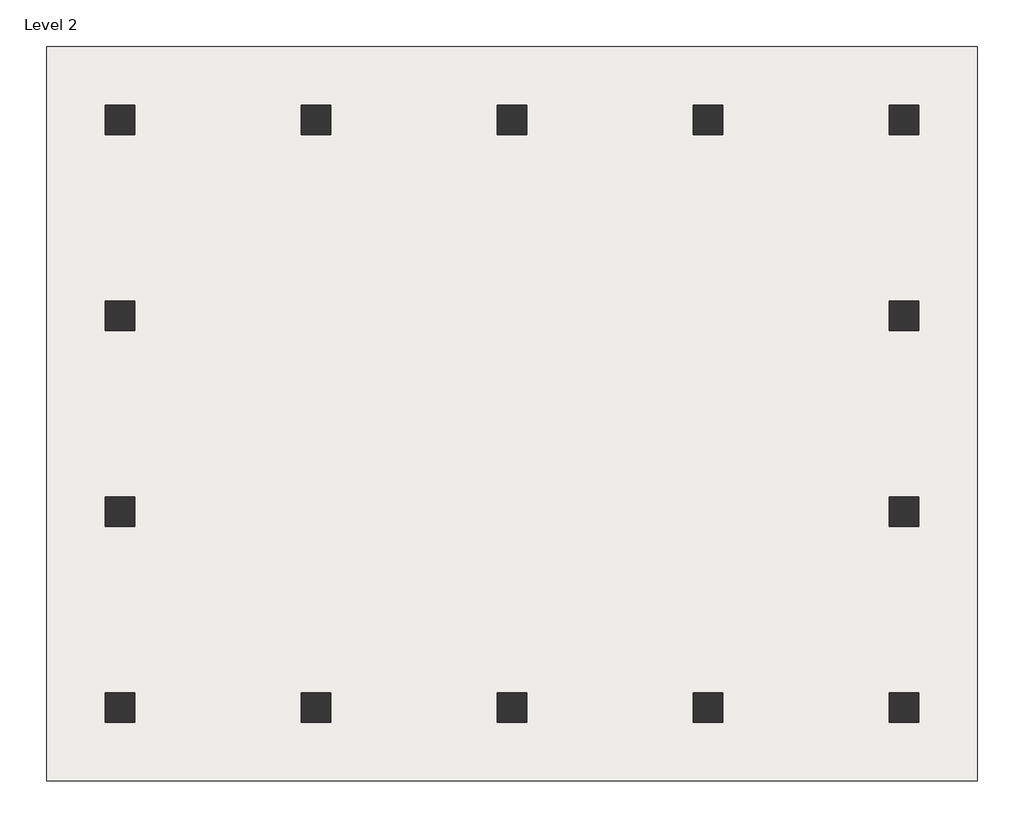
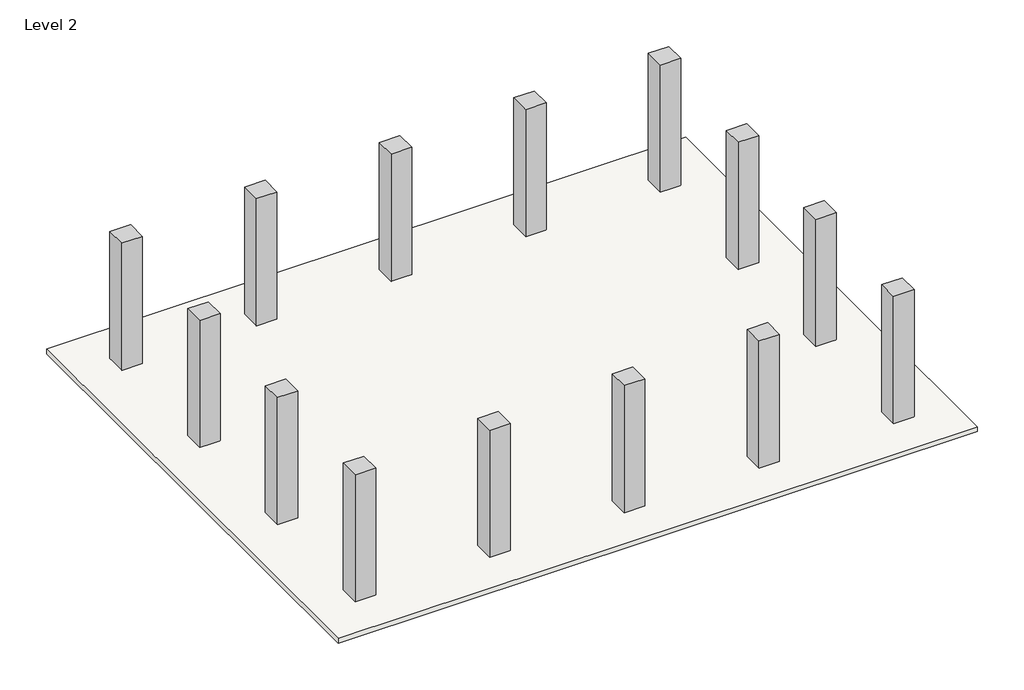
# One storey: 14 columns, 1 slab.
"""IFC4 building model written with IfcOpenShell, lengths in millimetres."""

import ifcopenshell
import ifcopenshell.guid

model = None  # the IFC model being written
_history = None  # IfcOwnerHistory: only IFC2X3 demands one
_inside = {}  # id of a spatial element -> (the spatial element, [elements in it])
_under = {}  # id of a project, library or spatial element -> (it, [spatial elements below it])
_declared = {}  # id of a project -> (the project, [libraries it declares])
_typed = {}  # id of a type object -> (the type object, [elements of that type])
_made_of = {}  # id of a material, layer set ... -> (it, [elements and type objects made of it])


def new_model(schema):
    """Start an empty IFC model of exactly this schema.

    Asked for "IFC4X3", IfcOpenShell would pick the latest addendum, in which some entities
    have other attributes; the version numbers below select the first issue.
    IFC2X3 requires an IfcOwnerHistory on every rooted entity: one is made here for all.
    """
    global model, _history
    if schema == "IFC4X3":
        model = ifcopenshell.file(schema_version=(4, 3, 0, 0))
    else:
        model = ifcopenshell.file(schema=schema)
    _inside.clear()
    _under.clear()
    _declared.clear()
    _typed.clear()
    _made_of.clear()
    _history = None
    if model.schema == "IFC2X3":
        org = make("IfcOrganization", Name="unknown")
        user = make(
            "IfcPersonAndOrganization",
            ThePerson=make("IfcPerson", FamilyName="unknown"),
            TheOrganization=org,
        )
        app = make(
            "IfcApplication",
            ApplicationDeveloper=org,
            Version="unknown",
            ApplicationFullName="unknown",
            ApplicationIdentifier="unknown",
        )
        _history = make(
            "IfcOwnerHistory",
            OwningUser=user,
            OwningApplication=app,
            ChangeAction="ADDED",
            CreationDate=0,
        )
    return model


def make(cls, **values):
    """One entity of the class cls with the attributes given. An attribute that is None is left unset."""
    return model.create_entity(
        cls, **{name: value for name, value in values.items() if value is not None}
    )


def rooted(cls, **values):
    """An entity with a GlobalId (a new one), such as an element, a storey or a relation."""
    return make(cls, GlobalId=ifcopenshell.guid.new(), OwnerHistory=_history, **values)


def si_unit(unit_type, name, prefix=None):
    """IfcSIUnit, for example si_unit("LENGTHUNIT", "METRE", prefix="MILLI")."""
    return make("IfcSIUnit", UnitType=unit_type, Prefix=prefix, Name=name)


def assignment(units):
    """IfcUnitAssignment: the units of a project."""
    return None if units is None else make("IfcUnitAssignment", Units=units)


def point(xyz):
    """IfcCartesianPoint."""
    return None if xyz is None else make("IfcCartesianPoint", Coordinates=xyz)


def direction(xyz):
    """IfcDirection."""
    return None if xyz is None else make("IfcDirection", DirectionRatios=xyz)


def frame(location, z_axis=None, x_axis=None):
    """IfcAxis2Placement3D, a coordinate frame: its origin and axes. An axis left out is left unset."""
    return make(
        "IfcAxis2Placement3D",
        Location=point(location),
        Axis=direction(z_axis),
        RefDirection=direction(x_axis),
    )


def origin():
    """The frame at (0, 0, 0) with its axes left unset."""
    return frame((0.0, 0.0, 0.0))


def place(relative_to, where):
    """IfcLocalPlacement: puts the frame where relative to a parent placement (None: the world)."""
    return make(
        "IfcLocalPlacement", PlacementRelTo=relative_to, RelativePlacement=where
    )


def context(
    kind, dimensions, precision=None, world=None, true_north=None, identifier=None
):
    """IfcGeometricRepresentationContext, for example the 3D "Model" context."""
    return make(
        "IfcGeometricRepresentationContext",
        ContextIdentifier=identifier,
        ContextType=kind,
        CoordinateSpaceDimension=dimensions,
        Precision=precision,
        WorldCoordinateSystem=world,
        TrueNorth=true_north,
    )


def project(units=None, contexts=None):
    """IfcProject with its units and contexts."""
    return rooted(
        "IfcProject",
        Name="project",
        RepresentationContexts=contexts,
        UnitsInContext=assignment(units),
    )


def spatial(cls, under=None, at=None, **own):
    """A site, building, storey or space (cls), placed at a placement, below another one or the project."""
    s = rooted(cls, ObjectPlacement=at, **own)
    if under is not None:
        _under.setdefault(under.id(), (under, []))[1].append(s)
    return s


def polyline(points):
    """IfcPolyline through the points."""
    return make("IfcPolyline", Points=[point(p) for p in points])


def outline(outer, holes=None, kind="AREA"):
    """IfcArbitraryClosedProfileDef: a profile drawn as a closed curve; with holes, ...WithVoids."""
    if holes is None:
        return make("IfcArbitraryClosedProfileDef", ProfileType=kind, OuterCurve=outer)
    return make(
        "IfcArbitraryProfileDefWithVoids",
        ProfileType=kind,
        OuterCurve=outer,
        InnerCurves=holes,
    )


def extrude(swept, where, along, depth):
    """IfcExtrudedAreaSolid: the profile swept, set in the frame where, extruded along a direction by depth."""
    return make(
        "IfcExtrudedAreaSolid",
        SweptArea=swept,
        Position=where,
        ExtrudedDirection=direction(along),
        Depth=depth,
    )


def shape(context_of_items, identifier, shape_type, items):
    """IfcShapeRepresentation: the items that make up one representation, for example the "Body"."""
    return make(
        "IfcShapeRepresentation",
        ContextOfItems=context_of_items,
        RepresentationIdentifier=identifier,
        RepresentationType=shape_type,
        Items=items,
    )


def source(mapping_origin, context_of_items, identifier, shape_type, items):
    """IfcRepresentationMap: a shape defined once, which mapped items show again and again."""
    return make(
        "IfcRepresentationMap",
        MappingOrigin=mapping_origin,
        MappedRepresentation=shape(context_of_items, identifier, shape_type, items),
    )


def transform(
    local_origin,
    x_axis=None,
    y_axis=None,
    z_axis=None,
    scale=None,
    scale2=None,
    scale3=None,
    uniform=True,
):
    """IfcCartesianTransformationOperator3D, or its non-uniform kind. x_axis, y_axis, z_axis: its Axis1, 2, 3."""
    if uniform:
        return make(
            "IfcCartesianTransformationOperator3D",
            Axis1=direction(x_axis),
            Axis2=direction(y_axis),
            LocalOrigin=point(local_origin),
            Scale=scale,
            Axis3=direction(z_axis),
        )
    return make(
        "IfcCartesianTransformationOperator3DnonUniform",
        Axis1=direction(x_axis),
        Axis2=direction(y_axis),
        LocalOrigin=point(local_origin),
        Scale=scale,
        Axis3=direction(z_axis),
        Scale2=scale2,
        Scale3=scale3,
    )


def mapped(mapping_source, mapping_target):
    """IfcMappedItem: shows the shape of a source again, moved by a transform."""
    return make(
        "IfcMappedItem", MappingSource=mapping_source, MappingTarget=mapping_target
    )


def made_of(thing, what):
    """Note that an element or type object is made of a material, layer set ...; save() writes the relation."""
    if what is not None:
        _made_of.setdefault(what.id(), (what, []))[1].append(thing)
    return thing


def element(
    cls,
    number,
    at=None,
    inside=None,
    cuts=None,
    type_object=None,
    material=None,
    context=None,
    identifier="Body",
    shape_type=None,
    held_by="IfcProductDefinitionShape",
    body=None,
    shapes=None,
    **own,
):
    """One element of the class cls, such as IfcWall. Its Tag is "e" and its number.

    at: its placement. inside: the storey or other place that contains it. cuts: it is an
    opening in that element (IfcRelVoidsElement). A single representation is given by context,
    identifier, shape_type and body (its items); several are given by shapes. held_by: the class
    of the entity that holds the representations. save() writes the other relations.
    """
    e = rooted(cls, Tag="e%d" % number, ObjectPlacement=at, **own)
    if body is not None:
        shapes = [shape(context, identifier, shape_type, body)]
    if shapes is not None:
        e.Representation = make(held_by, Representations=shapes)
    if inside is not None:
        _inside.setdefault(inside.id(), (inside, []))[1].append(e)
    if cuts is not None:
        rooted(
            "IfcRelVoidsElement", RelatingBuildingElement=cuts, RelatedOpeningElement=e
        )
    if type_object is not None:
        _typed.setdefault(type_object.id(), (type_object, []))[1].append(e)
    return made_of(e, material)


def aggregate(whole, parts):
    """IfcRelAggregates: a whole, such as a stair, and the parts it consists of."""
    return rooted("IfcRelAggregates", RelatingObject=whole, RelatedObjects=parts)


def save(model, path):
    """Write the relations noted so far, then the file.

    IfcRelAggregates (storeys below a building ...), IfcRelContainedInSpatialStructure (elements
    in a storey), IfcRelDefinesByType, IfcRelAssociatesMaterial and IfcRelDeclares: one each for
    every whole, place, type object, material and project.
    """
    for whole, parts in _under.values():
        aggregate(whole, parts)
    for where, things in _inside.values():
        rooted(
            "IfcRelContainedInSpatialStructure",
            RelatedElements=things,
            RelatingStructure=where,
        )
    for kind, things in _typed.values():
        rooted("IfcRelDefinesByType", RelatedObjects=things, RelatingType=kind)
    for what, things in _made_of.values():
        rooted("IfcRelAssociatesMaterial", RelatedObjects=things, RelatingMaterial=what)
    for by, libraries in _declared.values():
        rooted("IfcRelDeclares", RelatingContext=by, RelatedDefinitions=libraries)
    model.write(path)


def m_rectangular_column_610_x_610mm_a18c0a74(model_context):
    return source(origin(), model_context, "Body", "SweptSolid", [
        extrude(outline(polyline([(305.0, 305.0), (305.0, -305.0), (-305.0, -305.0), (-305.0, 305.0), (305.0, 305.0)])), frame((0.0, 0.0, 6000.0), z_axis=(0.0, 0.0, 1.0), x_axis=(1.0, 0.0, 0.0)), (0.0, 0.0, 1.0), 4000.0),
    ])


model = new_model("IFC4")

# Units and contexts
model_context = context("Model", 3, world=origin())
ifc_project = project(units=[si_unit("LENGTHUNIT", "METRE", prefix="MILLI")], contexts=[model_context])

# Site, building, storey
site = spatial("IfcSite", under=ifc_project)
building = spatial("IfcBuilding", under=site)
storey = spatial("IfcBuildingStorey", under=building, Name="Level 2", Elevation=6000.0)

# Columns
placement = place(None, origin())
m_rectangular_column_610_x_610mm_shape = m_rectangular_column_610_x_610mm_a18c0a74(model_context)
element("IfcColumn", 1, ObjectType="M_Rectangular Column : 610 x 610mm", at=placement, inside=storey, context=model_context, shape_type="MappedRepresentation", body=[
    mapped(m_rectangular_column_610_x_610mm_shape, transform((-6065.5268457, 4107.1335473, 0.0), x_axis=(1.0, 0.0, 0.0), y_axis=(0.0, 1.0, 0.0), z_axis=(0.0, 0.0, 1.0))),
])
element("IfcColumn", 2, ObjectType="M_Rectangular Column : 610 x 610mm", at=placement, inside=storey, context=model_context, shape_type="MappedRepresentation", body=[
    mapped(m_rectangular_column_610_x_610mm_shape, transform((-2065.5268457, 4107.1335473, 0.0), x_axis=(1.0, 0.0, 0.0), y_axis=(0.0, 1.0, 0.0), z_axis=(0.0, 0.0, 1.0))),
])
element("IfcColumn", 3, ObjectType="M_Rectangular Column : 610 x 610mm", at=placement, inside=storey, context=model_context, shape_type="MappedRepresentation", body=[
    mapped(m_rectangular_column_610_x_610mm_shape, transform((1934.4731543, 4107.1335473, 0.0), x_axis=(1.0, 0.0, 0.0), y_axis=(0.0, 1.0, 0.0), z_axis=(0.0, 0.0, 1.0))),
])
element("IfcColumn", 4, ObjectType="M_Rectangular Column : 610 x 610mm", at=placement, inside=storey, context=model_context, shape_type="MappedRepresentation", body=[
    mapped(m_rectangular_column_610_x_610mm_shape, transform((5934.4731543, 4107.1335473, 0.0), x_axis=(1.0, 0.0, 0.0), y_axis=(0.0, 1.0, 0.0), z_axis=(0.0, 0.0, 1.0))),
])
element("IfcColumn", 5, ObjectType="M_Rectangular Column : 610 x 610mm", at=placement, inside=storey, context=model_context, shape_type="MappedRepresentation", body=[
    mapped(m_rectangular_column_610_x_610mm_shape, transform((9934.4731543, 4107.1335473, 0.0), x_axis=(1.0, 0.0, 0.0), y_axis=(0.0, 1.0, 0.0), z_axis=(0.0, 0.0, 1.0))),
])
element("IfcColumn", 6, ObjectType="M_Rectangular Column : 610 x 610mm", at=placement, inside=storey, context=model_context, shape_type="MappedRepresentation", body=[
    mapped(m_rectangular_column_610_x_610mm_shape, transform((9934.4731543, 107.1335473, 0.0), x_axis=(1.0, 0.0, 0.0), y_axis=(0.0, 1.0, 0.0), z_axis=(0.0, 0.0, 1.0))),
])
element("IfcColumn", 7, ObjectType="M_Rectangular Column : 610 x 610mm", at=placement, inside=storey, context=model_context, shape_type="MappedRepresentation", body=[
    mapped(m_rectangular_column_610_x_610mm_shape, transform((9934.4731543, -3892.8664527, 0.0), x_axis=(1.0, 0.0, 0.0), y_axis=(0.0, 1.0, 0.0), z_axis=(0.0, 0.0, 1.0))),
])
element("IfcColumn", 8, ObjectType="M_Rectangular Column : 610 x 610mm", at=placement, inside=storey, context=model_context, shape_type="MappedRepresentation", body=[
    mapped(m_rectangular_column_610_x_610mm_shape, transform((9934.4731543, -7892.8664527, 0.0), x_axis=(1.0, 0.0, 0.0), y_axis=(0.0, 1.0, 0.0), z_axis=(0.0, 0.0, 1.0))),
])
element("IfcColumn", 9, ObjectType="M_Rectangular Column : 610 x 610mm", at=placement, inside=storey, context=model_context, shape_type="MappedRepresentation", body=[
    mapped(m_rectangular_column_610_x_610mm_shape, transform((5934.4731543, -7892.8664527, 0.0), x_axis=(1.0, 0.0, 0.0), y_axis=(0.0, 1.0, 0.0), z_axis=(0.0, 0.0, 1.0))),
])
element("IfcColumn", 10, ObjectType="M_Rectangular Column : 610 x 610mm", at=placement, inside=storey, context=model_context, shape_type="MappedRepresentation", body=[
    mapped(m_rectangular_column_610_x_610mm_shape, transform((1934.4731543, -7892.8664527, 0.0), x_axis=(1.0, 0.0, 0.0), y_axis=(0.0, 1.0, 0.0), z_axis=(0.0, 0.0, 1.0))),
])
element("IfcColumn", 11, ObjectType="M_Rectangular Column : 610 x 610mm", at=placement, inside=storey, context=model_context, shape_type="MappedRepresentation", body=[
    mapped(m_rectangular_column_610_x_610mm_shape, transform((-2065.5268457, -7892.8664527, 0.0), x_axis=(1.0, 0.0, 0.0), y_axis=(0.0, 1.0, 0.0), z_axis=(0.0, 0.0, 1.0))),
])
element("IfcColumn", 12, ObjectType="M_Rectangular Column : 610 x 610mm", at=placement, inside=storey, context=model_context, shape_type="MappedRepresentation", body=[
    mapped(m_rectangular_column_610_x_610mm_shape, transform((-6065.5268457, -7892.8664527, 0.0), x_axis=(1.0, 0.0, 0.0), y_axis=(0.0, 1.0, 0.0), z_axis=(0.0, 0.0, 1.0))),
])
element("IfcColumn", 13, ObjectType="M_Rectangular Column : 610 x 610mm", at=placement, inside=storey, context=model_context, shape_type="MappedRepresentation", body=[
    mapped(m_rectangular_column_610_x_610mm_shape, transform((-6065.5268457, -3892.8664527, 0.0), x_axis=(1.0, 0.0, 0.0), y_axis=(0.0, 1.0, 0.0), z_axis=(0.0, 0.0, 1.0))),
])
element("IfcColumn", 14, ObjectType="M_Rectangular Column : 610 x 610mm", at=placement, inside=storey, context=model_context, shape_type="MappedRepresentation", body=[
    mapped(m_rectangular_column_610_x_610mm_shape, transform((-6065.5268457, 107.1335473, 0.0), x_axis=(1.0, 0.0, 0.0), y_axis=(0.0, 1.0, 0.0), z_axis=(0.0, 0.0, 1.0))),
])

# Slab
element("IfcSlab", 15, ObjectType="Generic 150mm", at=placement, inside=storey, context=model_context, shape_type="SweptSolid", body=[
    extrude(outline(polyline([(11434.4731543, 5607.1335473), (11434.4731543, -9392.8664527), (-7565.5268457, -9392.8664527), (-7565.5268457, 5607.1335473), (11434.4731543, 5607.1335473)])), frame((0.0, 0.0, 5850.0), z_axis=(0.0, 0.0, 1.0), x_axis=(1.0, 0.0, 0.0)), (0.0, 0.0, 1.0), 150.0),
])

save(model, "model.ifc")
